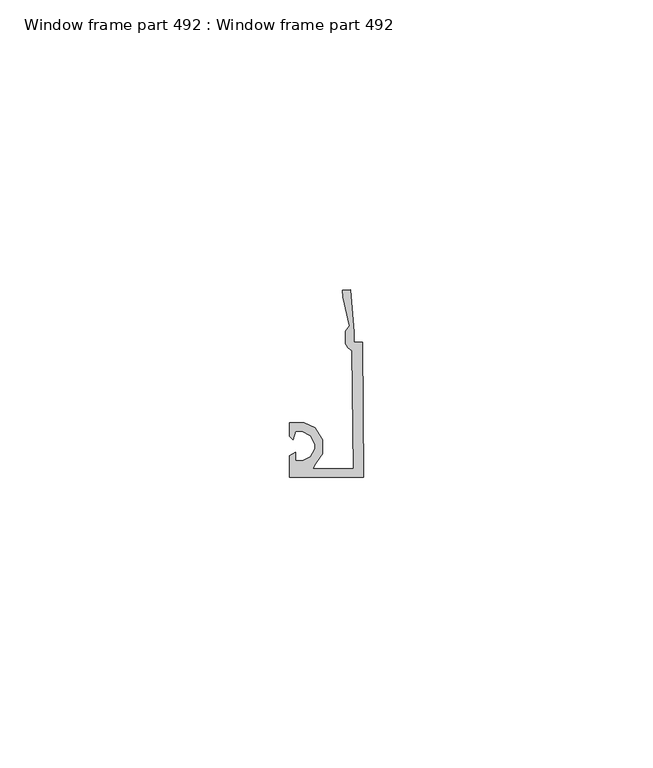
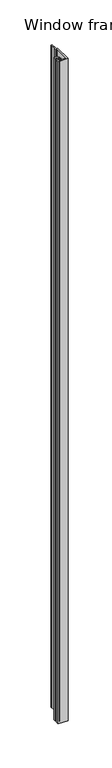
"""IFC4 building model written with IfcOpenShell, lengths in millimetres: proxy geometry, Window frame part 492 : Window frame part 492."""

from ifc_helpers import new_model, si_unit, frame, origin, place, context, project, spatial, polyline, outline, extrude, source, transform, mapped, element, save


def window_frame_part_492_window_frame_part_492_b88f6360(model_context):
    return source(origin(), model_context, "Body", "SweptSolid", [
        extrude(outline(polyline([(37247.3890808, -22984.1872413), (37249.2849368, -22985.0457613), (37250.6352008, -22987.0980813), (37250.5864328, -22989.5557853), (37249.4393688, -22991.2921293), (37249.0096008, -22992.0957853), (37255.9275448, -22992.0957853), (37255.7395848, -22971.7524173), (37254.9846968, -22971.2931853), (37254.6097928, -22970.5494733), (37254.6097928, -22968.4006333), (37255.2488568, -22967.4740413), (37254.1962808, -22962.5464413), (37254.1028088, -22961.3719453), (37255.4205608, -22961.2784733), (37256.0819768, -22968.6038333), (37256.0819768, -22970.3066493), (37257.5592408, -22970.3066493), (37257.6577928, -22993.5679693), (37244.9577928, -22993.5679693), (37244.9577928, -22989.8920813), (37245.9727768, -22989.2855293), (37245.9727768, -22990.7790493), (37247.2122968, -22990.7790493), (37248.5686568, -22990.0241613), (37249.3235448, -22988.6688173), (37249.3235448, -22987.8631293), (37248.5737368, -22986.4021213), (37247.1137448, -22985.6533293), (37245.9727768, -22985.6584093), (37245.5643448, -22987.1529453), (37244.9577928, -22986.5402973), (37244.9577928, -22984.1872413), (37247.3890808, -22984.1872413)])), frame((0.0, 0.0, 1524.0), z_axis=(0.0, 0.0, 1.0), x_axis=(1.0, 0.0, 0.0)), (0.0, 0.0, 1.0), 914.4),
    ])


if __name__ == "__main__":
    model = new_model("IFC4")
    model_context = context("Model", 3, world=origin())
    ifc_project = project(units=[si_unit("LENGTHUNIT", "METRE", prefix="MILLI")], contexts=[model_context])
    site = spatial("IfcSite", under=ifc_project)
    building = spatial("IfcBuilding", under=site)
    placement = place(None, origin())
    window_frame_part_492_window_frame_part_492_shape = window_frame_part_492_window_frame_part_492_b88f6360(model_context)
    element("IfcBuildingElementProxy", 1, Name="Window frame part 492 : Window frame part 492", ObjectType="Window frame part 492 : Window frame part 492", at=placement, inside=building, context=model_context, shape_type="MappedRepresentation", body=[
        mapped(window_frame_part_492_window_frame_part_492_shape, transform((0.0, 0.0, 0.0), x_axis=(1.0, 0.0, 0.0), y_axis=(0.0, 1.0, 0.0), z_axis=(0.0, 0.0, 1.0))),
    ])
    save(model, "model.ifc")
